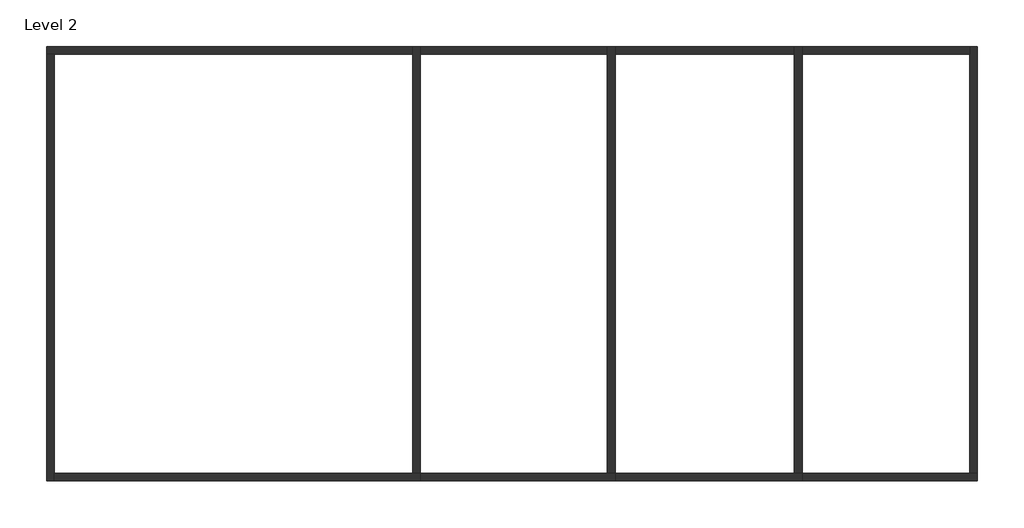
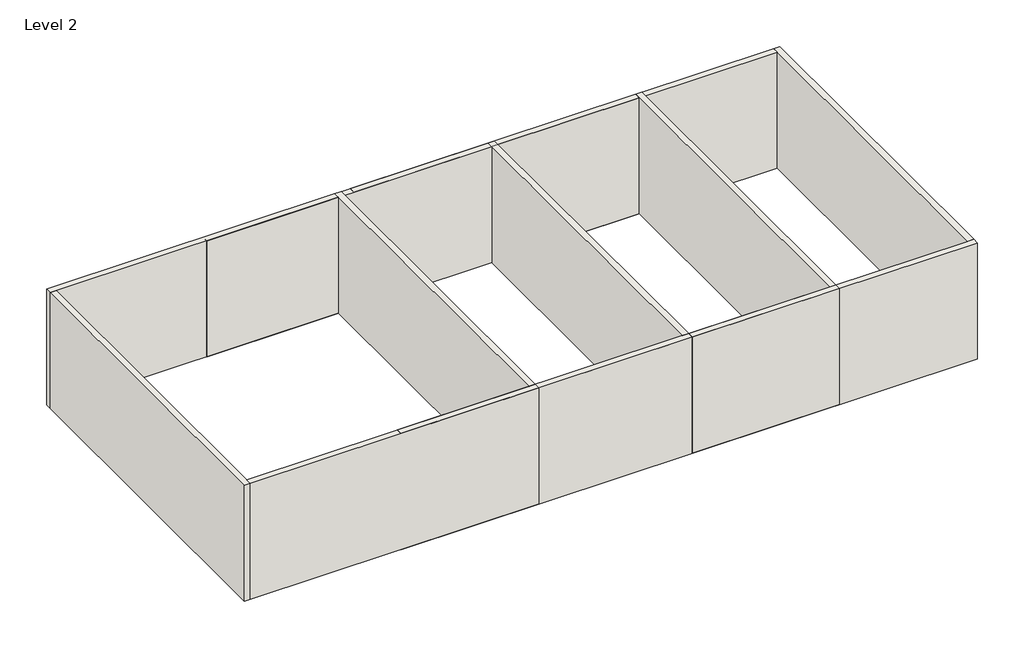
# One storey: 13 walls.
"""IFC4 building model written with IfcOpenShell, lengths in millimetres."""

from ifc_helpers import new_model, si_unit, frame, origin, place, context, project, spatial, polyline, outline, extrude, faceted_brep, element, save

model = new_model("IFC4")

# Units and contexts
model_context = context("Model", 3, world=origin())
ifc_project = project(units=[si_unit("LENGTHUNIT", "METRE", prefix="MILLI")], contexts=[model_context])

# Site, building, storey
site = spatial("IfcSite", under=ifc_project)
building = spatial("IfcBuilding", under=site)
storey = spatial("IfcBuildingStorey", under=building, Name="Level 2", Elevation=4000.0)

# Walls
placement = place(None, origin())
element("IfcWall", 1, ObjectType="Wall 1", at=placement, inside=storey, context=model_context, shape_type="Brep", body=[
    faceted_brep([(-4159.1188428, 9537.4875259, 4000.0), (-3959.1188428, 9537.4875259, 4000.0), (5240.8811572, 9537.4875259, 4000.0), (5240.8811572, 9537.4875259, 8000.0), (-3959.1188428, 9537.4875259, 8000.0), (-4159.1188428, 9537.4875259, 8000.0), (-4159.1188428, 9737.4875259, 4000.0), (-4159.1188428, 9737.4875259, 8000.0), (5240.8811572, 9737.4875259, 8000.0), (5240.8811572, 9737.4875259, 4000.0)], [[[0, 1, 2, 3, 4, 5]], [[6, 7, 8, 9]], [[2, 1, 0, 6, 9]], [[5, 4, 3, 8, 7]], [[0, 5, 7, 6]], [[3, 2, 9, 8]]]),
])
element("IfcWall", 2, ObjectType="Wall 1", at=placement, inside=storey, context=model_context, shape_type="Brep", body=[
    faceted_brep([(-3959.1188428, -1428.6181356, 4000.0), (-3959.1188428, -1228.6181356, 4000.0), (-3959.1188428, 9537.4875259, 4000.0), (-3959.1188428, 9537.4875259, 8000.0), (-3959.1188428, -1228.6181356, 8000.0), (-3959.1188428, -1428.6181356, 8000.0), (-4159.1188428, -1428.6181356, 4000.0), (-4159.1188428, -1428.6181356, 8000.0), (-4159.1188428, 9537.4875259, 8000.0), (-4159.1188428, 9537.4875259, 4000.0)], [[[0, 1, 2, 3, 4, 5]], [[6, 7, 8, 9]], [[2, 1, 0, 6, 9]], [[5, 4, 3, 8, 7]], [[0, 5, 7, 6]], [[3, 2, 9, 8]]]),
])
element("IfcWall", 3, ObjectType="Wall 1", at=placement, inside=storey, context=model_context, shape_type="Brep", body=[
    faceted_brep([(5440.8811572, -1228.6181356, 4000.0), (5240.8811572, -1228.6181356, 4000.0), (-3959.1188428, -1228.6181356, 4000.0), (-3959.1188428, -1228.6181356, 8000.0), (5240.8811572, -1228.6181356, 8000.0), (5440.8811572, -1228.6181356, 8000.0), (5440.8811572, -1428.6181356, 4000.0), (5440.8811572, -1428.6181356, 8000.0), (-3959.1188428, -1428.6181356, 8000.0), (-3959.1188428, -1428.6181356, 4000.0)], [[[0, 1, 2, 3, 4, 5]], [[6, 7, 8, 9]], [[2, 1, 0, 6, 9]], [[5, 4, 3, 8, 7]], [[0, 5, 7, 6]], [[3, 2, 9, 8]]]),
])
element("IfcWall", 4, ObjectType="Wall 1", at=placement, inside=storey, context=model_context, shape_type="Brep", body=[
    faceted_brep([(5240.8811572, 9737.4875259, 4000.0), (5240.8811572, 9537.4875259, 4000.0), (5240.8811572, -1228.6181356, 4000.0), (5240.8811572, -1228.6181356, 8000.0), (5240.8811572, 9537.4875259, 8000.0), (5240.8811572, 9737.4875259, 8000.0), (5440.8811572, 9737.4875259, 4000.0), (5440.8811572, 9737.4875259, 8000.0), (5440.8811572, -1228.6181356, 8000.0), (5440.8811572, -1228.6181356, 4000.0)], [[[0, 1, 2, 3, 4, 5]], [[6, 7, 8, 9]], [[2, 1, 0, 6, 9]], [[5, 4, 3, 8, 7]], [[0, 5, 7, 6]], [[3, 2, 9, 8]]]),
])
element("IfcWall", 5, ObjectType="Wall 1", at=placement, inside=storey, context=model_context, shape_type="SweptSolid", body=[
    extrude(outline(polyline([(10240.8811572, 9537.4875259), (940.8811572, 9537.4875259), (940.8811572, 9737.4875259), (10240.8811572, 9737.4875259), (10240.8811572, 9537.4875259)])), frame((0.0, 0.0, 4000.0), z_axis=(0.0, 0.0, 1.0), x_axis=(1.0, 0.0, 0.0)), (0.0, 0.0, 1.0), 4000.0),
])
element("IfcWall", 6, ObjectType="Wall 1", at=placement, inside=storey, context=model_context, shape_type="Brep", body=[
    faceted_brep([(10440.8811572, -1228.6181356, 4000.0), (10240.8811572, -1228.6181356, 4000.0), (940.8811572, -1228.6181356, 4000.0), (940.8811572, -1228.6181356, 8000.0), (10240.8811572, -1228.6181356, 8000.0), (10440.8811572, -1228.6181356, 8000.0), (10440.8811572, -1428.6181356, 4000.0), (10440.8811572, -1428.6181356, 8000.0), (940.8811572, -1428.6181356, 8000.0), (940.8811572, -1428.6181356, 4000.0)], [[[0, 1, 2, 3, 4, 5]], [[6, 7, 8, 9]], [[2, 1, 0, 6, 9]], [[3, 2, 9, 8]], [[5, 4, 3, 8, 7]], [[0, 5, 7, 6]]]),
])
element("IfcWall", 7, ObjectType="Wall 1", at=placement, inside=storey, context=model_context, shape_type="Brep", body=[
    faceted_brep([(10240.8811572, 9737.4875259, 4000.0), (10240.8811572, 9537.4875259, 4000.0), (10240.8811572, -1228.6181356, 4000.0), (10240.8811572, -1228.6181356, 8000.0), (10240.8811572, 9537.4875259, 8000.0), (10240.8811572, 9737.4875259, 8000.0), (10440.8811572, 9737.4875259, 4000.0), (10440.8811572, 9737.4875259, 8000.0), (10440.8811572, 9537.4875259, 8000.0), (10440.8811572, -1228.6181356, 8000.0), (10440.8811572, -1228.6181356, 4000.0), (10440.8811572, 9537.4875259, 4000.0)], [[[0, 1, 2, 3, 4, 5]], [[6, 7, 8, 9, 10, 11]], [[2, 1, 0, 6, 11, 10]], [[5, 4, 3, 9, 8, 7]], [[0, 5, 7, 6]], [[3, 2, 10, 9]]]),
])
element("IfcWall", 8, ObjectType="Wall 1", at=placement, inside=storey, context=model_context, shape_type="SweptSolid", body=[
    extrude(outline(polyline([(15040.8811572, 9537.4875259), (5740.8811572, 9537.4875259), (5740.8811572, 9737.4875259), (15040.8811572, 9737.4875259), (15040.8811572, 9537.4875259)])), frame((0.0, 0.0, 4000.0), z_axis=(0.0, 0.0, 1.0), x_axis=(1.0, 0.0, 0.0)), (0.0, 0.0, 1.0), 4000.0),
])
element("IfcWall", 9, ObjectType="Wall 1", at=placement, inside=storey, context=model_context, shape_type="Brep", body=[
    faceted_brep([(15240.8811572, -1228.6181356, 4000.0), (15040.8811572, -1228.6181356, 4000.0), (5740.8811572, -1228.6181356, 4000.0), (5740.8811572, -1228.6181356, 8000.0), (15040.8811572, -1228.6181356, 8000.0), (15240.8811572, -1228.6181356, 8000.0), (15240.8811572, -1428.6181356, 4000.0), (15240.8811572, -1428.6181356, 8000.0), (5740.8811572, -1428.6181356, 8000.0), (5740.8811572, -1428.6181356, 4000.0)], [[[0, 1, 2, 3, 4, 5]], [[6, 7, 8, 9]], [[2, 1, 0, 6, 9]], [[3, 2, 9, 8]], [[5, 4, 3, 8, 7]], [[0, 5, 7, 6]]]),
])
element("IfcWall", 10, ObjectType="Wall 1", at=placement, inside=storey, context=model_context, shape_type="Brep", body=[
    faceted_brep([(15040.8811572, 9737.4875259, 4000.0), (15040.8811572, 9537.4875259, 4000.0), (15040.8811572, -1228.6181356, 4000.0), (15040.8811572, -1228.6181356, 8000.0), (15040.8811572, 9537.4875259, 8000.0), (15040.8811572, 9737.4875259, 8000.0), (15240.8811572, 9737.4875259, 4000.0), (15240.8811572, 9737.4875259, 8000.0), (15240.8811572, -1228.6181356, 8000.0), (15240.8811572, -1228.6181356, 4000.0)], [[[0, 1, 2, 3, 4, 5]], [[6, 7, 8, 9]], [[2, 1, 0, 6, 9]], [[5, 4, 3, 8, 7]], [[0, 5, 7, 6]], [[3, 2, 9, 8]]]),
])
element("IfcWall", 11, ObjectType="Wall 1", at=placement, inside=storey, context=model_context, shape_type="SweptSolid", body=[
    extrude(outline(polyline([(19540.8811572, 9537.4875259), (10440.8811572, 9537.4875259), (10440.8811572, 9737.4875259), (19540.8811572, 9737.4875259), (19540.8811572, 9537.4875259)])), frame((0.0, 0.0, 4000.0), z_axis=(0.0, 0.0, 1.0), x_axis=(1.0, 0.0, 0.0)), (0.0, 0.0, 1.0), 4000.0),
])
element("IfcWall", 12, ObjectType="Wall 1", at=placement, inside=storey, context=model_context, shape_type="Brep", body=[
    faceted_brep([(19740.8811572, -1228.6181356, 4000.0), (19540.8811572, -1228.6181356, 4000.0), (10440.8811572, -1228.6181356, 4000.0), (10440.8811572, -1228.6181356, 8000.0), (19540.8811572, -1228.6181356, 8000.0), (19740.8811572, -1228.6181356, 8000.0), (19740.8811572, -1428.6181356, 4000.0), (19740.8811572, -1428.6181356, 8000.0), (10440.8811572, -1428.6181356, 8000.0), (10440.8811572, -1428.6181356, 4000.0)], [[[0, 1, 2, 3, 4, 5]], [[6, 7, 8, 9]], [[2, 1, 0, 6, 9]], [[5, 4, 3, 8, 7]], [[0, 5, 7, 6]], [[3, 2, 9, 8]]]),
])
element("IfcWall", 13, ObjectType="Wall 1", at=placement, inside=storey, context=model_context, shape_type="Brep", body=[
    faceted_brep([(19540.8811572, 9737.4875259, 4000.0), (19540.8811572, 9537.4875259, 4000.0), (19540.8811572, -1228.6181356, 4000.0), (19540.8811572, -1228.6181356, 8000.0), (19540.8811572, 9537.4875259, 8000.0), (19540.8811572, 9737.4875259, 8000.0), (19740.8811572, 9737.4875259, 4000.0), (19740.8811572, 9737.4875259, 8000.0), (19740.8811572, -1228.6181356, 8000.0), (19740.8811572, -1228.6181356, 4000.0)], [[[0, 1, 2, 3, 4, 5]], [[6, 7, 8, 9]], [[2, 1, 0, 6, 9]], [[5, 4, 3, 8, 7]], [[0, 5, 7, 6]], [[3, 2, 9, 8]]]),
])

save(model, "model.ifc")
